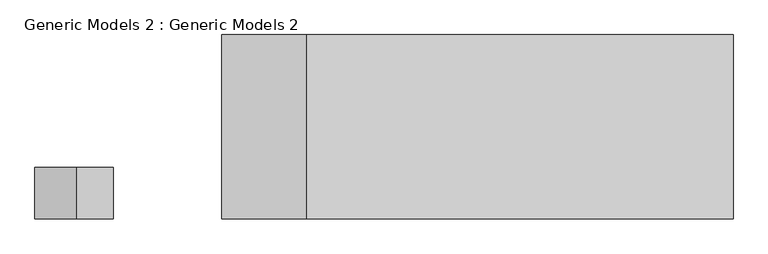
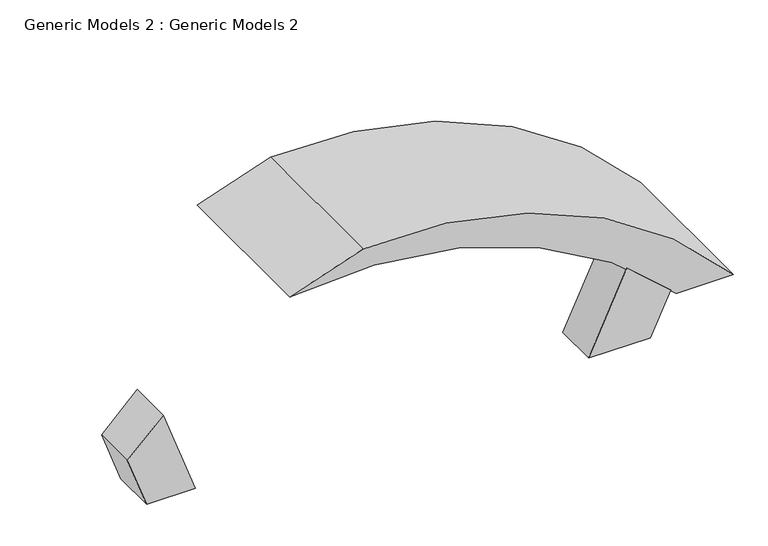
"""IFC4 building model written with IfcOpenShell, lengths in millimetres: proxy geometry, Generic Models 2 : Generic Models 2."""

from ifc_helpers import new_model, si_unit, point, frame, frame_2d, origin, place, context, project, spatial, polyline, circle_curve, trimmed, segment, composite_curve, outline, extrude, source, transform, mapped, element, save


def generic_models_2_generic_models_2_0ae7141c(model_context):
    return source(origin(), model_context, "Body", "SweptSolid", [
        extrude(outline(composite_curve([segment(polyline([(0.0, 130713.0764363), (1869.2017428, 130032.74264)]), True, "CONTINUOUS"), segment(trimmed(circle_curve(frame_2d((-5581.8008636, 136673.242106)), 9980.6649577), [point((1869.2017428, 130032.74264))], [point((1121.0777581, 129278.3052448))], False, "CARTESIAN"), True, "CONTINUOUS"), segment(polyline([(1121.0777581, 129278.3052448), (0.0, 129686.3441791), (0.0, 130713.0764363)]), True, "CONTINUOUS")], self_intersect=False)), frame((0.0, -35017.5221802, 0.0), z_axis=(0.0, 1.0, 0.0), x_axis=(0.0, 0.0, 1.0)), (0.0, 0.0, 1.0), 942.3021391),
        extrude(outline(composite_curve([segment(polyline([(0.0, 139012.7864642), (0.0, 140312.7864642), (920.6499183, 140742.0925716)]), True, "CONTINUOUS"), segment(trimmed(circle_curve(frame_2d((-5769.173684, 134075.0775075)), 9444.7249666), [point((920.6499183, 140742.0925716))], [point((1728.3712429, 139818.7392109))], False, "CARTESIAN"), True, "CONTINUOUS"), segment(polyline([(1728.3712429, 139818.7392109), (0.0, 139012.7864642)]), True, "CONTINUOUS")], self_intersect=False)), frame((0.0, -35017.5221802, 0.0), z_axis=(0.0, 1.0, 0.0), x_axis=(0.0, 0.0, 1.0)), (0.0, 0.0, 1.0), 942.3021391),
        extrude(outline(composite_curve([segment(trimmed(circle_curve(frame_2d((-5208.0553997, 134919.7244319)), 9333.2947065), [point((800.0, 142062.1092152))], [point((4101.5644884, 134255.3693924))], False, "CARTESIAN"), True, "CONTINUOUS"), segment(trimmed(circle_curve(frame_2d((-5581.8008636, 136673.242106)), 9980.6649577), [point((4101.5644884, 134255.3693924))], [point((3575.4305127, 132703.5082964))], False, "CARTESIAN"), True, "CONTINUOUS"), segment(trimmed(circle_curve(frame_2d((-5769.173684, 134075.0775075)), 9444.7249666), [point((3575.4305127, 132703.5082964))], [point((800.0, 140861.0031484))], True, "CARTESIAN"), True, "CONTINUOUS"), segment(polyline([(800.0, 140861.0031484), (800.0, 142062.1092152)]), True, "CONTINUOUS")], self_intersect=False)), frame((0.0, -35017.5221802, 0.0), z_axis=(0.0, 1.0, 0.0), x_axis=(0.0, 0.0, 1.0)), (0.0, 0.0, 1.0), 3377.9275572),
    ])


if __name__ == "__main__":
    model = new_model("IFC4")
    model_context = context("Model", 3, world=origin())
    ifc_project = project(units=[si_unit("LENGTHUNIT", "METRE", prefix="MILLI")], contexts=[model_context])
    site = spatial("IfcSite", under=ifc_project)
    building = spatial("IfcBuilding", under=site)
    placement = place(None, origin())
    generic_models_2_generic_models_2_shape = generic_models_2_generic_models_2_0ae7141c(model_context)
    element("IfcBuildingElementProxy", 1, Name="Generic Models 2 : Generic Models 2", ObjectType="Generic Models 2 : Generic Models 2", at=placement, inside=building, context=model_context, shape_type="MappedRepresentation", body=[
        mapped(generic_models_2_generic_models_2_shape, transform((0.0, 0.0, 0.0), x_axis=(1.0, 0.0, 0.0), y_axis=(0.0, 1.0, 0.0), z_axis=(0.0, 0.0, 1.0))),
    ])
    save(model, "model.ifc")
